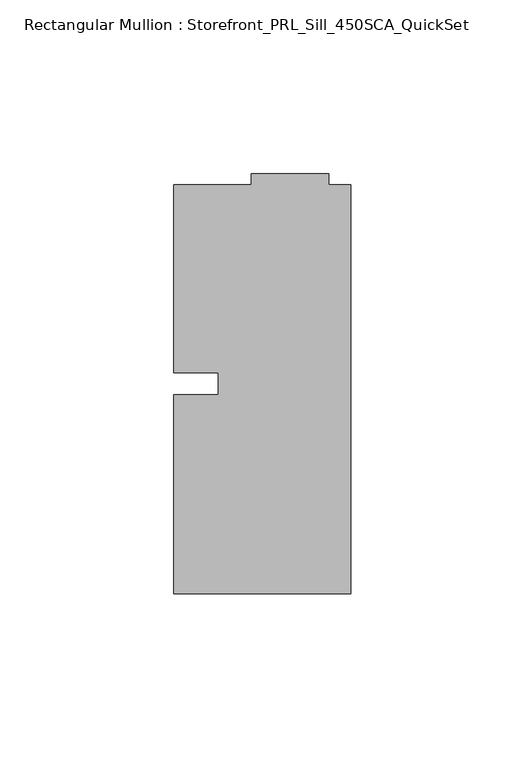
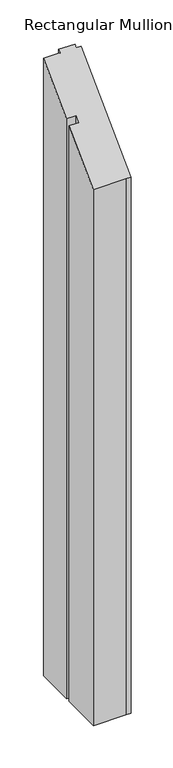
"""IFC4 building model written with IfcOpenShell, lengths in millimetres: member geometry, Rectangular Mullion : Storefront_PRL_Sill_450SCA_QuickSet."""

from ifc_helpers import new_model, si_unit, origin, place, context, project, spatial, faceted_brep, source, transform, mapped, element, save


def rectangular_mullion_storefront_prl_sill_450sca_quickset_8b558b22(model_context):
    return source(origin(), model_context, "Body", "Brep", [
        faceted_brep([(-38.1, -3.175, -830.7916667), (-38.1, 3.175, -830.7916667), (-50.8, 3.175, -830.7916667), (-50.8, 57.15, -830.7916667), (-28.575, 57.15, -830.7916667), (-28.575, 60.325, -830.7916667), (-6.35, 60.325, -830.7916667), (-6.35, 57.15, -830.7916667), (0.0, 57.15, -830.7916667), (0.0, -60.325, -830.7916667), (-6.35, -60.325, -830.7916667), (-50.8, -60.325, -830.7916667), (-50.8, -3.175, -830.7916667), (-50.8, -3.175, -3.175), (-38.1, -3.175, -3.175), (-50.8, -60.325, -60.325), (-6.35, -60.325, -60.325), (0.0, -60.325, -60.325), (0.0, 57.15, 57.15), (-6.35, 57.15, 57.15), (-6.35, 60.325, 60.325), (-28.575, 60.325, 60.325), (-28.575, 57.15, 57.15), (-50.8, 57.15, 57.15), (-50.8, 3.175, 3.175), (-38.1, 3.175, 3.175)], [[[0, 1, 2, 3, 4, 5, 6, 7, 8, 9, 10, 11, 12]], [[13, 14, 0, 12]], [[15, 13, 12, 11]], [[16, 15, 11, 10]], [[17, 16, 10, 9]], [[18, 17, 9, 8]], [[19, 18, 8, 7]], [[20, 19, 7, 6]], [[21, 20, 6, 5]], [[22, 21, 5, 4]], [[23, 22, 4, 3]], [[24, 23, 3, 2]], [[25, 24, 2, 1]], [[14, 25, 1, 0]], [[14, 13, 15, 16, 17, 18, 19, 20, 21, 22, 23, 24, 25]]]),
    ])


if __name__ == "__main__":
    model = new_model("IFC4")
    model_context = context("Model", 3, world=origin())
    ifc_project = project(units=[si_unit("LENGTHUNIT", "METRE", prefix="MILLI")], contexts=[model_context])
    site = spatial("IfcSite", under=ifc_project)
    building = spatial("IfcBuilding", under=site)
    placement = place(None, origin())
    rectangular_mullion_storefront_prl_sill_450sca_quickset_shape = rectangular_mullion_storefront_prl_sill_450sca_quickset_8b558b22(model_context)
    element("IfcMember", 1, ObjectType="Rectangular Mullion : Storefront_PRL_Sill_450SCA_QuickSet", at=placement, inside=building, context=model_context, shape_type="MappedRepresentation", body=[
        mapped(rectangular_mullion_storefront_prl_sill_450sca_quickset_shape, transform((0.0, 0.0, 0.0), x_axis=(1.0, 0.0, 0.0), y_axis=(0.0, 1.0, 0.0), z_axis=(0.0, 0.0, 1.0))),
    ])
    save(model, "model.ifc")
